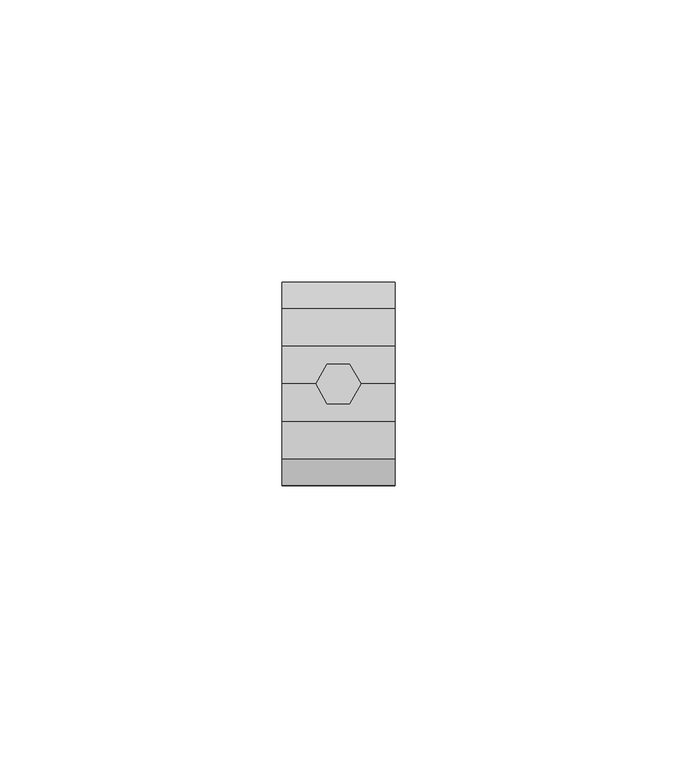
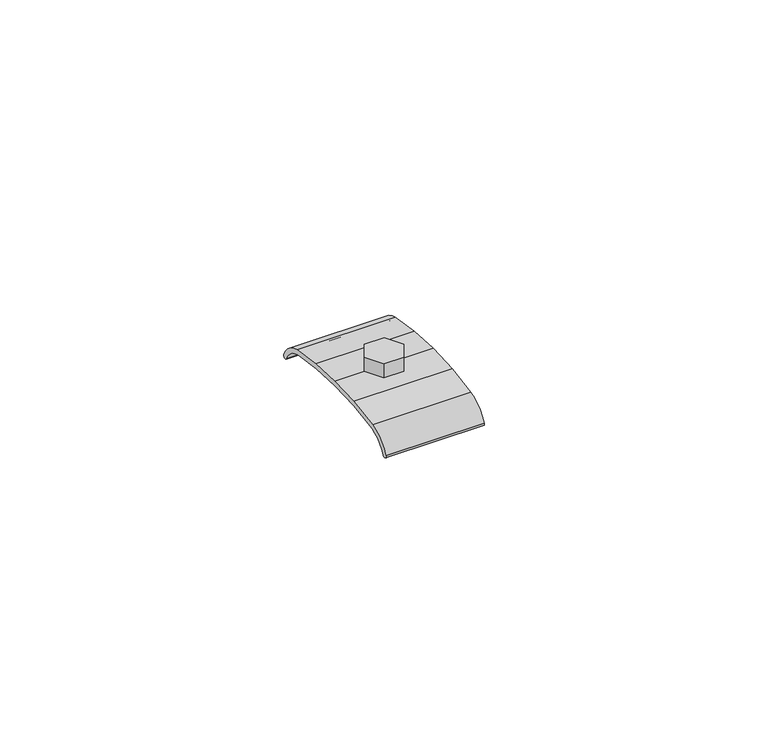
"""IFC4 building model written with IfcOpenShell, lengths in millimetres: beam geometry."""

from ifc_helpers import new_model, si_unit, point, frame, frame_2d, origin, place, context, project, spatial, polyline, circle_curve, trimmed, segment, composite_curve, outline, extrude, source, transform, mapped, element, save


def beam_71e2621f(model_context):
    return source(origin(), model_context, "Body", "SweptSolid", [
        extrude(outline(polyline([(2.0, 3.4641016), (4.0, 0.0), (2.0, -3.4641016), (-2.0, -3.4641016), (-4.0, 0.0), (-2.0, 3.4641016), (2.0, 3.4641016)])), frame((0.0, 0.0, -25.7896475), z_axis=(0.0, 0.0, 1.0), x_axis=(1.0, 0.0, 0.0)), (0.0, 0.0, 1.0), 3.0),
        extrude(outline(composite_curve([segment(polyline([(6.6026324, -27.1187758), (0.0, -26.7908798), (-6.6026324, -27.1187758), (-13.1269385, -28.0997811)]), True, "CONTINUOUS"), segment(trimmed(circle_curve(frame_2d((-11.7010078, -33.8953037)), 5.9683633), [point((-13.1269385, -28.0997811))], [point((-17.0959682, -31.3427043))], True, "CARTESIAN"), True, "CONTINUOUS"), segment(trimmed(circle_curve(frame_2d((-17.5479313, -31.1288602)), 0.5), [point((-17.0959682, -31.3427043))], [point((-17.9998944, -30.915016))], False, "CARTESIAN"), True, "CONTINUOUS"), segment(trimmed(circle_curve(frame_2d((-11.7010078, -33.8953037)), 6.9683633), [point((-17.9998944, -30.915016))], [point((-13.3193862, -27.1174767))], False, "CARTESIAN"), True, "CONTINUOUS"), segment(polyline([(-13.3193862, -27.1174767), (-6.702024, -26.1224794), (0.0, -25.7896475), (6.702024, -26.1224794), (13.3193862, -27.1174767)]), True, "CONTINUOUS"), segment(trimmed(circle_curve(frame_2d((11.7010078, -33.8953037)), 6.9683633), [point((13.3193862, -27.1174767))], [point((17.9998944, -30.915016))], False, "CARTESIAN"), True, "CONTINUOUS"), segment(trimmed(circle_curve(frame_2d((17.5479313, -31.1288602)), 0.5), [point((17.9998944, -30.915016))], [point((17.0959682, -31.3427043))], False, "CARTESIAN"), True, "CONTINUOUS"), segment(trimmed(circle_curve(frame_2d((11.7010078, -33.8953037)), 5.9683633), [point((17.0959682, -31.3427043))], [point((13.1269385, -28.0997811))], True, "CARTESIAN"), True, "CONTINUOUS"), segment(polyline([(13.1269385, -28.0997811), (6.6026324, -27.1187758)]), True, "CONTINUOUS")], self_intersect=False)), frame((-10.003063, 0.0, 0.0), z_axis=(1.0, 0.0, 0.0), x_axis=(0.0, 1.0, 0.0)), (0.0, 0.0, 1.0), 20.0061261),
    ])


if __name__ == "__main__":
    model = new_model("IFC4")
    model_context = context("Model", 3, world=origin())
    ifc_project = project(units=[si_unit("LENGTHUNIT", "METRE", prefix="MILLI")], contexts=[model_context])
    site = spatial("IfcSite", under=ifc_project)
    building = spatial("IfcBuilding", under=site)
    placement = place(None, origin())
    beam_shape = beam_71e2621f(model_context)
    element("IfcBeam", 1, at=placement, inside=building, context=model_context, shape_type="MappedRepresentation", body=[
        mapped(beam_shape, transform((0.0, 0.0, 0.0), x_axis=(1.0, 0.0, 0.0), y_axis=(0.0, 1.0, 0.0), z_axis=(0.0, 0.0, 1.0))),
    ])
    save(model, "model.ifc")
